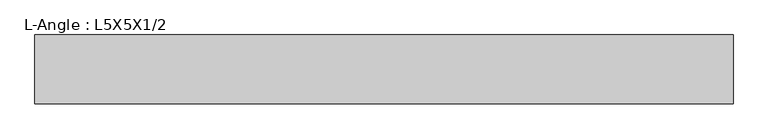
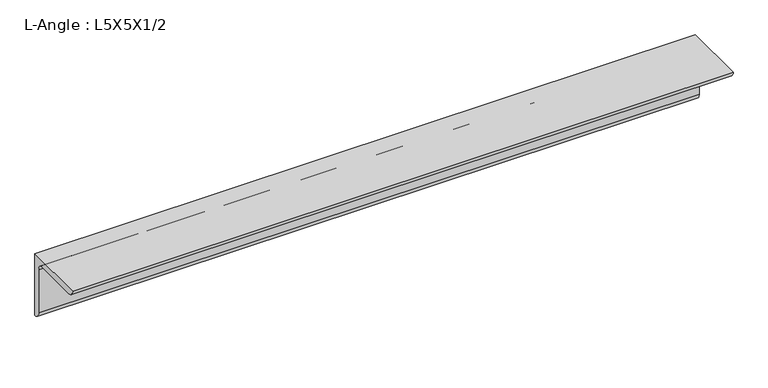
"""IFC4 building model written with IfcOpenShell, lengths in millimetres: beam geometry, L-Angle : L5X5X1/2."""

from ifc_helpers import new_model, si_unit, point, frame, frame_2d, origin, place, context, project, spatial, polyline, circle_curve, trimmed, segment, composite_curve, outline, extrude, source, transform, mapped, element, save


def l_angle_l5x5x1_2_2a0a4164(model_context):
    return source(origin(), model_context, "Body", "SweptSolid", [
        extrude(outline(composite_curve([segment(polyline([(36.068, 36.068), (36.068, -90.932)]), True, "CONTINUOUS"), segment(trimmed(circle_curve(frame_2d((36.068, -78.232)), 12.7), [point((36.068, -90.932))], [point((23.368, -78.232))], False, "CARTESIAN"), True, "CONTINUOUS"), segment(polyline([(23.368, -78.232), (23.368, 10.668)]), True, "CONTINUOUS"), segment(trimmed(circle_curve(frame_2d((10.668, 10.668)), 12.7), [point((23.368, 10.668))], [point((10.668, 23.368))], True, "CARTESIAN"), True, "CONTINUOUS"), segment(polyline([(10.668, 23.368), (-78.232, 23.368)]), True, "CONTINUOUS"), segment(trimmed(circle_curve(frame_2d((-78.232, 36.068)), 12.7), [point((-78.232, 23.368))], [point((-90.932, 36.068))], False, "CARTESIAN"), True, "CONTINUOUS"), segment(polyline([(-90.932, 36.068), (36.068, 36.068)]), True, "CONTINUOUS")], self_intersect=False)), frame((-676.249507, 0.0, 0.0), z_axis=(1.0, 0.0, 0.0), x_axis=(0.0, 1.0, 0.0)), (0.0, 0.0, 1.0), 1284.2878709),
    ])


if __name__ == "__main__":
    model = new_model("IFC4")
    model_context = context("Model", 3, world=origin())
    ifc_project = project(units=[si_unit("LENGTHUNIT", "METRE", prefix="MILLI")], contexts=[model_context])
    site = spatial("IfcSite", under=ifc_project)
    building = spatial("IfcBuilding", under=site)
    placement = place(None, origin())
    l_angle_l5x5x1_2_shape = l_angle_l5x5x1_2_2a0a4164(model_context)
    element("IfcBeam", 1, ObjectType="L-Angle : L5X5X1/2", at=placement, inside=building, context=model_context, shape_type="MappedRepresentation", body=[
        mapped(l_angle_l5x5x1_2_shape, transform((0.0, 0.0, 0.0), x_axis=(1.0, 0.0, 0.0), y_axis=(0.0, 1.0, 0.0), z_axis=(0.0, 0.0, 1.0))),
    ])
    save(model, "model.ifc")
